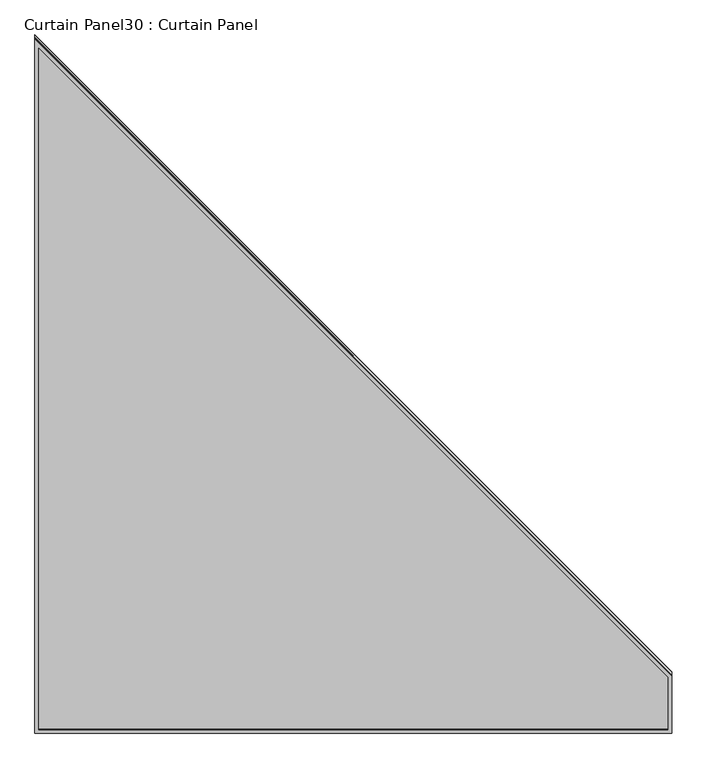
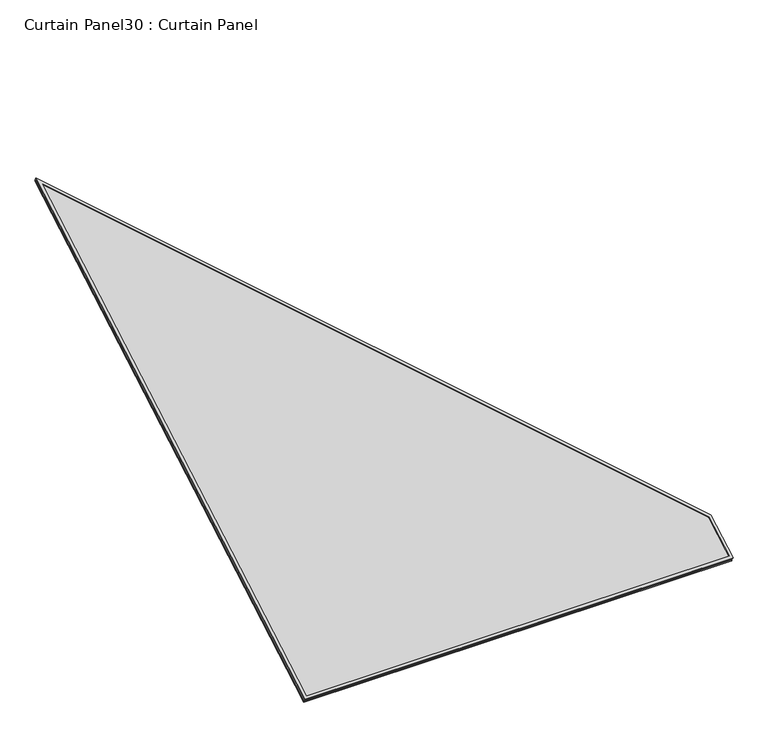
"""IFC4 building model written with IfcOpenShell, lengths in millimetres: plate geometry, Curtain Panel30 : Curtain Panel."""

from ifc_helpers import new_model, si_unit, frame, origin, place, context, project, spatial, polyline, outline, extrude, source, transform, mapped, element, save


def curtain_panel30_curtain_panel_9668b335(model_context):
    return source(origin(), model_context, "Body", "SweptSolid", [
        extrude(outline(polyline([(186.8499404, -1803.4), (0.0, -1803.4), (0.0, 0.0), (2269.2368914, 0.0), (186.8499404, -1803.4)]), holes=[polyline([(2239.3942986, -11.1260555), (11.1260555, -11.1260555), (11.1260555, -1792.2739445), (182.7018722, -1792.2739445), (2239.3942986, -11.1260555)])]), frame((13563.3122101, 10570.6145773, 909.1403919), z_axis=(0.0, -0.5000000000000022, 0.8660254037844375), x_axis=(0.0, 0.8660254037844375, 0.5000000000000022)), (0.0, 0.0, 1.0), 4.8617188),
        extrude(outline(polyline([(186.8499406, -1803.4), (0.0, -1803.4), (0.0, 0.0), (2269.2368914, 0.0), (186.8499406, -1803.4)]), holes=[polyline([(2239.3942987, -11.1260555), (11.1260555, -11.1260555), (11.1260555, -1792.2739445), (182.7018723, -1792.2739445), (2239.3942987, -11.1260555)])]), frame((13563.3122101, 10561.6768674, 924.6209594), z_axis=(0.0, -0.5000000000000018, 0.8660254037844377), x_axis=(0.0, 0.8660254037844377, 0.5000000000000018)), (0.0, 0.0, 1.0), 4.6035803),
        extrude(outline(polyline([(12.7, 0.0), (1816.1, 0.0), (1816.1, -2269.2368914), (12.7, -186.8499405), (12.7, 0.0)])), frame((15379.4122101, 10569.9393138, 914.2087453), z_axis=(0.0, -0.5000000000000002, 0.8660254037844386), x_axis=(-1.0, 0.0, 0.0)), (0.0, 0.0, 1.0), 13.1484651),
    ])


if __name__ == "__main__":
    model = new_model("IFC4")
    model_context = context("Model", 3, world=origin())
    ifc_project = project(units=[si_unit("LENGTHUNIT", "METRE", prefix="MILLI")], contexts=[model_context])
    site = spatial("IfcSite", under=ifc_project)
    building = spatial("IfcBuilding", under=site)
    placement = place(None, origin())
    curtain_panel30_curtain_panel_shape = curtain_panel30_curtain_panel_9668b335(model_context)
    element("IfcPlate", 1, ObjectType="Curtain Panel30 : Curtain Panel", at=placement, inside=building, context=model_context, shape_type="MappedRepresentation", body=[
        mapped(curtain_panel30_curtain_panel_shape, transform((0.0, 0.0, 0.0), x_axis=(1.0, 0.0, 0.0), y_axis=(0.0, 1.0, 0.0), z_axis=(0.0, 0.0, 1.0))),
    ])
    save(model, "model.ifc")
